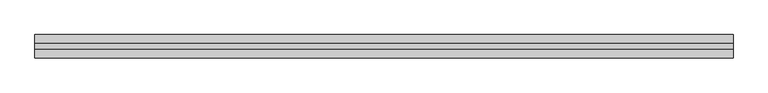
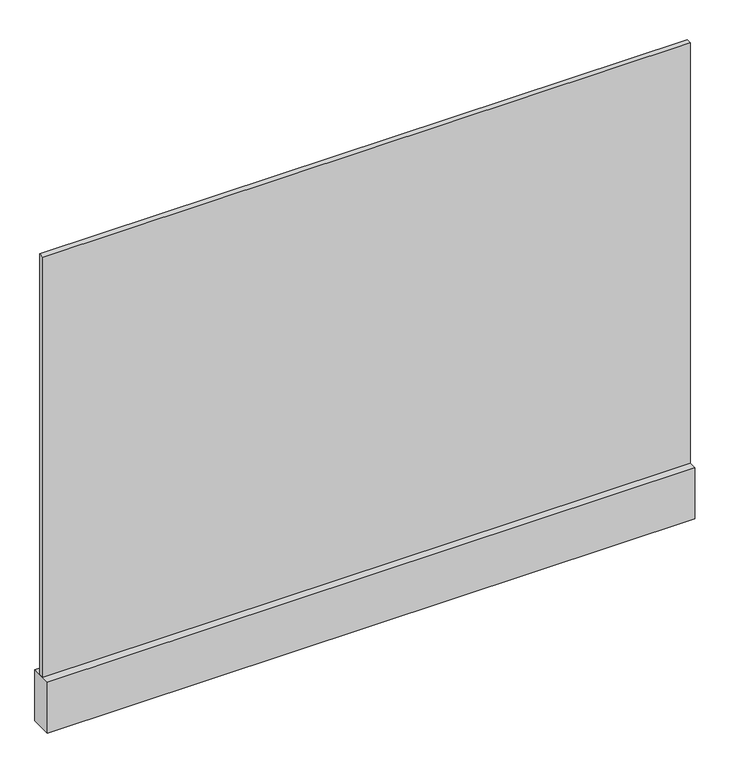
"""IFC4 building model written with IfcOpenShell, lengths in millimetres: plate geometry."""

from ifc_helpers import new_model, si_unit, frame, origin, origin_with_axes, place, context, project, spatial, polyline, outline, extrude, source, transform, mapped, element, save


def plate_b89069fe(model_context):
    return source(origin(), model_context, "Body", "SweptSolid", [
        extrude(outline(polyline([(-600.9309555, -5.0), (-600.9309555, 5.0), (600.9309555, 5.0), (600.9309555, -5.0), (-600.9309555, -5.0)])), frame((0.0, 0.0, 100.0), z_axis=(0.0, 0.0, 1.0), x_axis=(1.0, 0.0, 0.0)), (0.0, 0.0, 1.0), 825.0),
        extrude(outline(polyline([(-600.9309555, -20.0), (-600.9309555, 20.0), (600.9309555, 20.0), (600.9309555, -20.0), (-600.9309555, -20.0)])), origin_with_axes(), (0.0, 0.0, 1.0), 100.0),
    ])


if __name__ == "__main__":
    model = new_model("IFC4")
    model_context = context("Model", 3, world=origin())
    ifc_project = project(units=[si_unit("LENGTHUNIT", "METRE", prefix="MILLI")], contexts=[model_context])
    site = spatial("IfcSite", under=ifc_project)
    building = spatial("IfcBuilding", under=site)
    placement = place(None, origin())
    plate_shape = plate_b89069fe(model_context)
    element("IfcPlate", 1, at=placement, inside=building, context=model_context, shape_type="MappedRepresentation", body=[
        mapped(plate_shape, transform((0.0, 0.0, 0.0), x_axis=(1.0, 0.0, 0.0), y_axis=(0.0, 1.0, 0.0), z_axis=(0.0, 0.0, 1.0))),
    ])
    save(model, "model.ifc")
